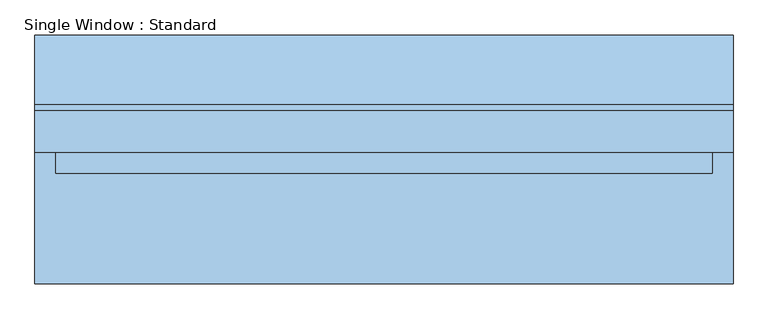
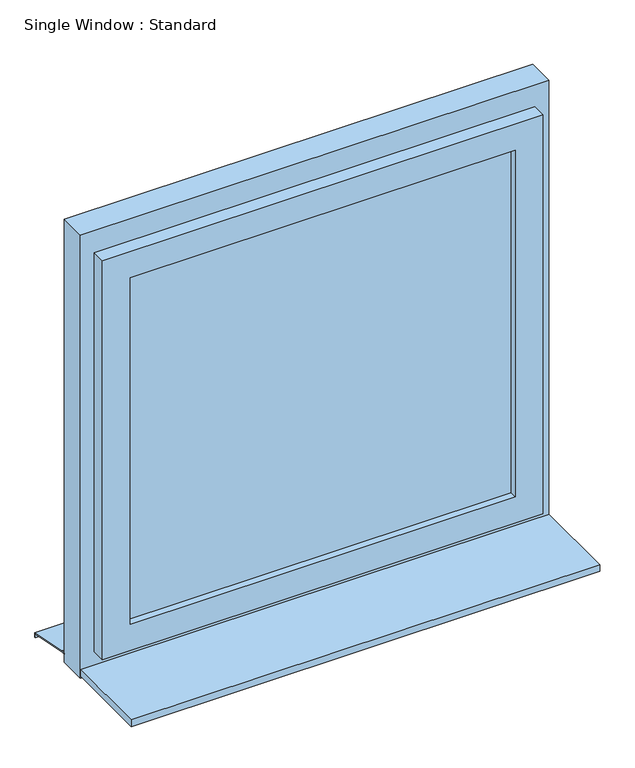
"""IFC4 building model written with IfcOpenShell, lengths in millimetres: window geometry, Single Window : Standard."""

import ifcopenshell
import ifcopenshell.guid

model = None  # the IFC model being written
_history = None  # IfcOwnerHistory: only IFC2X3 demands one
_inside = {}  # id of a spatial element -> (the spatial element, [elements in it])
_under = {}  # id of a project, library or spatial element -> (it, [spatial elements below it])
_declared = {}  # id of a project -> (the project, [libraries it declares])
_typed = {}  # id of a type object -> (the type object, [elements of that type])
_made_of = {}  # id of a material, layer set ... -> (it, [elements and type objects made of it])


def new_model(schema):
    """Start an empty IFC model of exactly this schema.

    Asked for "IFC4X3", IfcOpenShell would pick the latest addendum, in which some entities
    have other attributes; the version numbers below select the first issue.
    IFC2X3 requires an IfcOwnerHistory on every rooted entity: one is made here for all.
    """
    global model, _history
    if schema == "IFC4X3":
        model = ifcopenshell.file(schema_version=(4, 3, 0, 0))
    else:
        model = ifcopenshell.file(schema=schema)
    _inside.clear()
    _under.clear()
    _declared.clear()
    _typed.clear()
    _made_of.clear()
    _history = None
    if model.schema == "IFC2X3":
        org = make("IfcOrganization", Name="unknown")
        user = make(
            "IfcPersonAndOrganization",
            ThePerson=make("IfcPerson", FamilyName="unknown"),
            TheOrganization=org,
        )
        app = make(
            "IfcApplication",
            ApplicationDeveloper=org,
            Version="unknown",
            ApplicationFullName="unknown",
            ApplicationIdentifier="unknown",
        )
        _history = make(
            "IfcOwnerHistory",
            OwningUser=user,
            OwningApplication=app,
            ChangeAction="ADDED",
            CreationDate=0,
        )
    return model


def make(cls, **values):
    """One entity of the class cls with the attributes given. An attribute that is None is left unset."""
    return model.create_entity(
        cls, **{name: value for name, value in values.items() if value is not None}
    )


def rooted(cls, **values):
    """An entity with a GlobalId (a new one), such as an element, a storey or a relation."""
    return make(cls, GlobalId=ifcopenshell.guid.new(), OwnerHistory=_history, **values)


def si_unit(unit_type, name, prefix=None):
    """IfcSIUnit, for example si_unit("LENGTHUNIT", "METRE", prefix="MILLI")."""
    return make("IfcSIUnit", UnitType=unit_type, Prefix=prefix, Name=name)


def assignment(units):
    """IfcUnitAssignment: the units of a project."""
    return None if units is None else make("IfcUnitAssignment", Units=units)


def point(xyz):
    """IfcCartesianPoint."""
    return None if xyz is None else make("IfcCartesianPoint", Coordinates=xyz)


def direction(xyz):
    """IfcDirection."""
    return None if xyz is None else make("IfcDirection", DirectionRatios=xyz)


def frame(location, z_axis=None, x_axis=None):
    """IfcAxis2Placement3D, a coordinate frame: its origin and axes. An axis left out is left unset."""
    return make(
        "IfcAxis2Placement3D",
        Location=point(location),
        Axis=direction(z_axis),
        RefDirection=direction(x_axis),
    )


def origin():
    """The frame at (0, 0, 0) with its axes left unset."""
    return frame((0.0, 0.0, 0.0))


def place(relative_to, where):
    """IfcLocalPlacement: puts the frame where relative to a parent placement (None: the world)."""
    return make(
        "IfcLocalPlacement", PlacementRelTo=relative_to, RelativePlacement=where
    )


def context(
    kind, dimensions, precision=None, world=None, true_north=None, identifier=None
):
    """IfcGeometricRepresentationContext, for example the 3D "Model" context."""
    return make(
        "IfcGeometricRepresentationContext",
        ContextIdentifier=identifier,
        ContextType=kind,
        CoordinateSpaceDimension=dimensions,
        Precision=precision,
        WorldCoordinateSystem=world,
        TrueNorth=true_north,
    )


def project(units=None, contexts=None):
    """IfcProject with its units and contexts."""
    return rooted(
        "IfcProject",
        Name="project",
        RepresentationContexts=contexts,
        UnitsInContext=assignment(units),
    )


def spatial(cls, under=None, at=None, **own):
    """A site, building, storey or space (cls), placed at a placement, below another one or the project."""
    s = rooted(cls, ObjectPlacement=at, **own)
    if under is not None:
        _under.setdefault(under.id(), (under, []))[1].append(s)
    return s


def polyline(points):
    """IfcPolyline through the points."""
    return make("IfcPolyline", Points=[point(p) for p in points])


def outline(outer, holes=None, kind="AREA"):
    """IfcArbitraryClosedProfileDef: a profile drawn as a closed curve; with holes, ...WithVoids."""
    if holes is None:
        return make("IfcArbitraryClosedProfileDef", ProfileType=kind, OuterCurve=outer)
    return make(
        "IfcArbitraryProfileDefWithVoids",
        ProfileType=kind,
        OuterCurve=outer,
        InnerCurves=holes,
    )


def extrude(swept, where, along, depth):
    """IfcExtrudedAreaSolid: the profile swept, set in the frame where, extruded along a direction by depth."""
    return make(
        "IfcExtrudedAreaSolid",
        SweptArea=swept,
        Position=where,
        ExtrudedDirection=direction(along),
        Depth=depth,
    )


def faces_of(points, faces, orient=None, outer=None):
    """IfcFace entities. A face is a list of loops; a loop is a list of indices into points, from 0.

    orient and outer hold one flag for each loop. By default every Orientation is true, the
    first loop of a face is its IfcFaceOuterBound and the others are IfcFaceBound.
    """
    made = []
    for i, loops in enumerate(faces):
        bounds = []
        for j, loop in enumerate(loops):
            is_outer = j == 0 if outer is None else outer[i][j]
            bounds.append(
                make(
                    "IfcFaceOuterBound" if is_outer else "IfcFaceBound",
                    Bound=make("IfcPolyLoop", Polygon=[points[k] for k in loop]),
                    Orientation=True if orient is None else orient[i][j],
                )
            )
        made.append(make("IfcFace", Bounds=bounds))
    return made


def faceted_brep(points, faces, orient=None, outer=None, voids=None):
    """IfcFacetedBrep: a solid bounded by flat faces; with voids (closed shells), ...WithVoids."""
    shared = [point(p) for p in points]
    hull = make("IfcClosedShell", CfsFaces=faces_of(shared, faces, orient, outer))
    if voids is None:
        return make("IfcFacetedBrep", Outer=hull)
    return make(
        "IfcFacetedBrepWithVoids",
        Outer=hull,
        Voids=[
            make(cls, CfsFaces=faces_of(shared, fs, o, b)) for cls, fs, o, b in voids
        ],
    )


def shape(context_of_items, identifier, shape_type, items):
    """IfcShapeRepresentation: the items that make up one representation, for example the "Body"."""
    return make(
        "IfcShapeRepresentation",
        ContextOfItems=context_of_items,
        RepresentationIdentifier=identifier,
        RepresentationType=shape_type,
        Items=items,
    )


def source(mapping_origin, context_of_items, identifier, shape_type, items):
    """IfcRepresentationMap: a shape defined once, which mapped items show again and again."""
    return make(
        "IfcRepresentationMap",
        MappingOrigin=mapping_origin,
        MappedRepresentation=shape(context_of_items, identifier, shape_type, items),
    )


def transform(
    local_origin,
    x_axis=None,
    y_axis=None,
    z_axis=None,
    scale=None,
    scale2=None,
    scale3=None,
    uniform=True,
):
    """IfcCartesianTransformationOperator3D, or its non-uniform kind. x_axis, y_axis, z_axis: its Axis1, 2, 3."""
    if uniform:
        return make(
            "IfcCartesianTransformationOperator3D",
            Axis1=direction(x_axis),
            Axis2=direction(y_axis),
            LocalOrigin=point(local_origin),
            Scale=scale,
            Axis3=direction(z_axis),
        )
    return make(
        "IfcCartesianTransformationOperator3DnonUniform",
        Axis1=direction(x_axis),
        Axis2=direction(y_axis),
        LocalOrigin=point(local_origin),
        Scale=scale,
        Axis3=direction(z_axis),
        Scale2=scale2,
        Scale3=scale3,
    )


def mapped(mapping_source, mapping_target):
    """IfcMappedItem: shows the shape of a source again, moved by a transform."""
    return make(
        "IfcMappedItem", MappingSource=mapping_source, MappingTarget=mapping_target
    )


def made_of(thing, what):
    """Note that an element or type object is made of a material, layer set ...; save() writes the relation."""
    if what is not None:
        _made_of.setdefault(what.id(), (what, []))[1].append(thing)
    return thing


def element(
    cls,
    number,
    at=None,
    inside=None,
    cuts=None,
    type_object=None,
    material=None,
    context=None,
    identifier="Body",
    shape_type=None,
    held_by="IfcProductDefinitionShape",
    body=None,
    shapes=None,
    **own,
):
    """One element of the class cls, such as IfcWall. Its Tag is "e" and its number.

    at: its placement. inside: the storey or other place that contains it. cuts: it is an
    opening in that element (IfcRelVoidsElement). A single representation is given by context,
    identifier, shape_type and body (its items); several are given by shapes. held_by: the class
    of the entity that holds the representations. save() writes the other relations.
    """
    e = rooted(cls, Tag="e%d" % number, ObjectPlacement=at, **own)
    if body is not None:
        shapes = [shape(context, identifier, shape_type, body)]
    if shapes is not None:
        e.Representation = make(held_by, Representations=shapes)
    if inside is not None:
        _inside.setdefault(inside.id(), (inside, []))[1].append(e)
    if cuts is not None:
        rooted(
            "IfcRelVoidsElement", RelatingBuildingElement=cuts, RelatedOpeningElement=e
        )
    if type_object is not None:
        _typed.setdefault(type_object.id(), (type_object, []))[1].append(e)
    return made_of(e, material)


def aggregate(whole, parts):
    """IfcRelAggregates: a whole, such as a stair, and the parts it consists of."""
    return rooted("IfcRelAggregates", RelatingObject=whole, RelatedObjects=parts)


def save(model, path):
    """Write the relations noted so far, then the file.

    IfcRelAggregates (storeys below a building ...), IfcRelContainedInSpatialStructure (elements
    in a storey), IfcRelDefinesByType, IfcRelAssociatesMaterial and IfcRelDeclares: one each for
    every whole, place, type object, material and project.
    """
    for whole, parts in _under.values():
        aggregate(whole, parts)
    for where, things in _inside.values():
        rooted(
            "IfcRelContainedInSpatialStructure",
            RelatedElements=things,
            RelatingStructure=where,
        )
    for kind, things in _typed.values():
        rooted("IfcRelDefinesByType", RelatedObjects=things, RelatingType=kind)
    for what, things in _made_of.values():
        rooted("IfcRelAssociatesMaterial", RelatedObjects=things, RelatingMaterial=what)
    for by, libraries in _declared.values():
        rooted("IfcRelDeclares", RelatingContext=by, RelatedDefinitions=libraries)
    model.write(path)


def single_window_standard_e035fe87(model_context):
    return source(origin(), model_context, "Body", "SolidModel", [
        extrude(outline(polyline([(415.0, -5.0), (-415.0, -5.0), (-415.0, 25.0), (415.0, 25.0), (415.0, -5.0)])), frame((0.0, 0.0, 1110.0), z_axis=(0.0, 0.0, 1.0), x_axis=(1.0, 0.0, 0.0)), (0.0, 0.0, 1.0), 790.0),
        faceted_brep([(475.0, 10.0, 1960.0), (475.0, -20.0, 1960.0), (475.0, -20.0, 1050.0), (475.0, 10.0, 1050.0), (445.0, 40.0, 1930.0), (445.0, 10.0, 1930.0), (445.0, 10.0, 1080.0), (445.0, 40.0, 1080.0), (415.0, -20.0, 1900.0), (415.0, 40.0, 1900.0), (415.0, 40.0, 1110.0), (415.0, -20.0, 1110.0), (-475.0, -20.0, 1050.0), (-475.0, 10.0, 1050.0), (-445.0, 10.0, 1080.0), (-445.0, 40.0, 1080.0), (-415.0, 40.0, 1110.0), (-415.0, -20.0, 1110.0), (-475.0, -20.0, 1960.0), (-475.0, 10.0, 1960.0), (-445.0, 10.0, 1930.0), (-445.0, 40.0, 1930.0), (-415.0, 40.0, 1900.0), (-415.0, -20.0, 1900.0)], [[[0, 1, 2, 3]], [[4, 5, 6, 7]], [[8, 9, 10, 11]], [[3, 2, 12, 13]], [[7, 6, 14, 15]], [[11, 10, 16, 17]], [[13, 12, 18, 19]], [[15, 14, 20, 21]], [[17, 16, 22, 23]], [[19, 18, 1, 0]], [[3, 13, 19, 0], [5, 20, 14, 6]], [[21, 20, 5, 4]], [[7, 15, 21, 4], [9, 22, 16, 10]], [[23, 22, 9, 8]], [[1, 18, 12, 2], [11, 17, 23, 8]]]),
        extrude(outline(polyline([(2010.0, 505.0), (2010.0, -505.0), (1000.0, -505.0), (1000.0, 505.0), (2010.0, 505.0)]), holes=[polyline([(1930.0, 445.0), (1080.0, 445.0), (1080.0, -445.0), (1930.0, -445.0), (1930.0, 445.0)])]), frame((0.0, 10.0, 0.0), z_axis=(0.0, 1.0, 0.0), x_axis=(0.0, 0.0, 1.0)), (0.0, 0.0, 1.0), 60.0),
        extrude(outline(polyline([(80.0221543, 1020.0), (180.0, 1000.0), (180.0, 990.0), (178.0, 990.0), (178.0, 998.3604634), (79.8240723, 1018.0), (70.0, 1018.0), (70.0, 1020.0), (80.0221543, 1020.0)])), frame((-505.0, 0.0, 0.0), z_axis=(1.0, 0.0, 0.0), x_axis=(0.0, 1.0, 0.0)), (0.0, 0.0, 1.0), 1010.0),
        extrude(outline(polyline([(-505.0, -180.0), (-505.0, 10.0), (505.0, 10.0), (505.0, -180.0), (-505.0, -180.0)])), frame((0.0, 0.0, 1005.0), z_axis=(0.0, 0.0, 1.0), x_axis=(1.0, 0.0, 0.0)), (0.0, 0.0, 1.0), 15.0),
    ])


if __name__ == "__main__":
    model = new_model("IFC4")
    model_context = context("Model", 3, world=origin())
    ifc_project = project(units=[si_unit("LENGTHUNIT", "METRE", prefix="MILLI")], contexts=[model_context])
    site = spatial("IfcSite", under=ifc_project)
    building = spatial("IfcBuilding", under=site)
    placement = place(None, origin())
    single_window_standard_shape = single_window_standard_e035fe87(model_context)
    element("IfcWindow", 1, ObjectType="Single Window : Standard", at=placement, inside=building, context=model_context, shape_type="MappedRepresentation", body=[
        mapped(single_window_standard_shape, transform((0.0, 0.0, 0.0), x_axis=(1.0, 0.0, 0.0), y_axis=(0.0, 1.0, 0.0), z_axis=(0.0, 0.0, 1.0))),
    ])
    save(model, "model.ifc")
